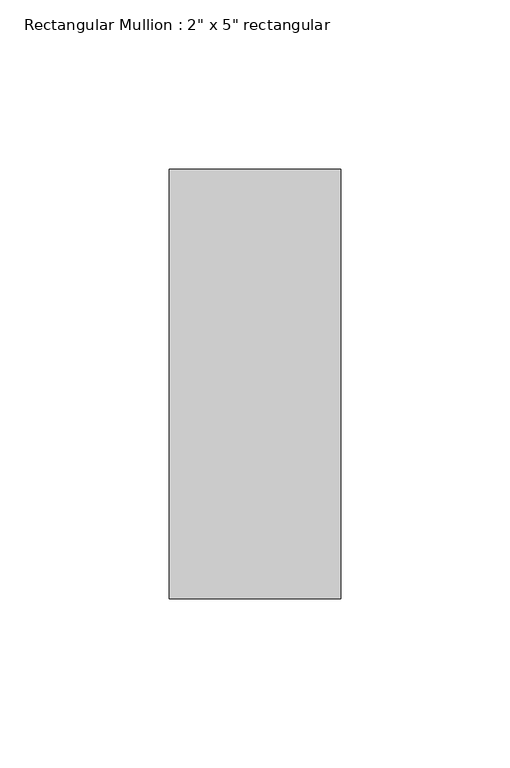
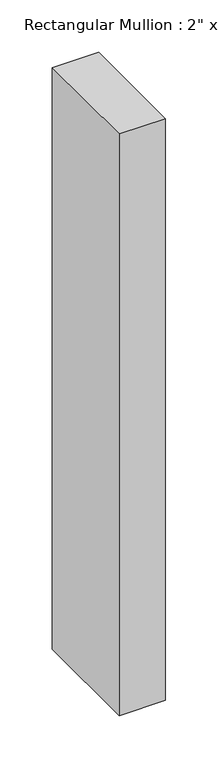
"""IFC4 building model written with IfcOpenShell, lengths in millimetres: member geometry."""

from ifc_helpers import new_model, si_unit, frame, origin, place, context, project, spatial, polyline, outline, extrude, source, transform, mapped, element, save


def member_dbfdf7ab(model_context):
    return source(origin(), model_context, "Body", "SweptSolid", [
        extrude(outline(polyline([(25.4, 63.5), (25.4, -63.5), (-25.4, -63.5), (-25.4, 63.5), (25.4, 63.5)])), frame((0.0, 0.0, -677.3333333), z_axis=(0.0, 0.0, 1.0), x_axis=(1.0, 0.0, 0.0)), (0.0, 0.0, 1.0), 677.3333333),
    ])


if __name__ == "__main__":
    model = new_model("IFC4")
    model_context = context("Model", 3, world=origin())
    ifc_project = project(units=[si_unit("LENGTHUNIT", "METRE", prefix="MILLI")], contexts=[model_context])
    site = spatial("IfcSite", under=ifc_project)
    building = spatial("IfcBuilding", under=site)
    placement = place(None, origin())
    member_shape = member_dbfdf7ab(model_context)
    element("IfcMember", 1, ObjectType="Rectangular Mullion : 2\" x 5\" rectangular", at=placement, inside=building, context=model_context, shape_type="MappedRepresentation", body=[
        mapped(member_shape, transform((0.0, 0.0, 0.0), x_axis=(1.0, 0.0, 0.0), y_axis=(0.0, 1.0, 0.0), z_axis=(0.0, 0.0, 1.0))),
    ])
    save(model, "model.ifc")
